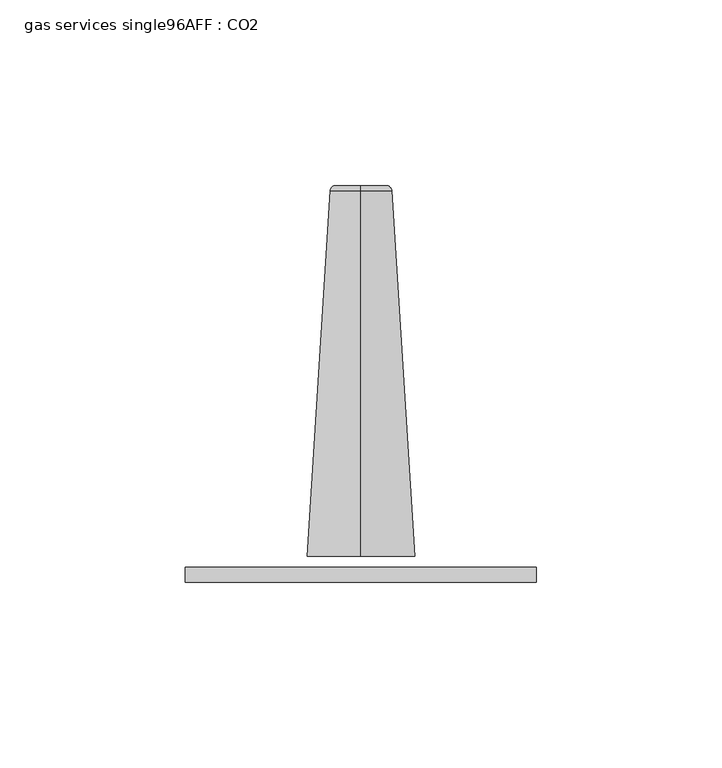
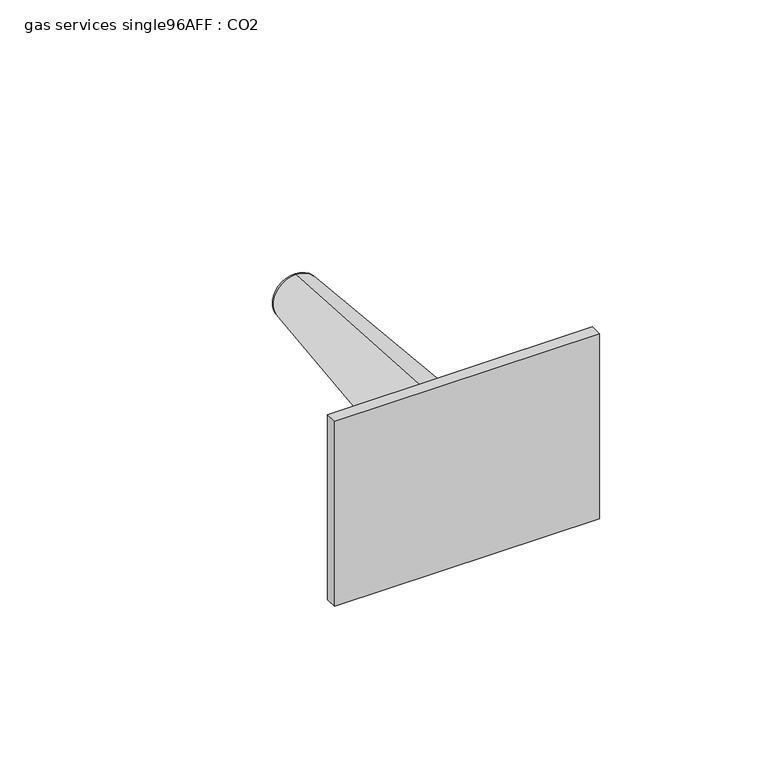
"""IFC4 building model written with IfcOpenShell, lengths in millimetres: flow terminal geometry, gas services single96AFF : CO2."""

from ifc_helpers import new_model, si_unit, point, frame, origin, place, context, project, spatial, polyline, circle_curve, ellipse_curve, trimmed, outline, extrude, source, transform, mapped, element, save
from ifc_brep_helpers import plane_surface, revolved_surface, advanced_brep


def gas_services_single96aff_co2_39015a41(model_context):
    return source(origin(), model_context, "Body", "SolidModel", [
        extrude(outline(polyline([(-47.8699712, -65.6942794), (-47.8699712, -61.5339373), (46.6884324, -61.5339373), (46.6884324, -65.6942794), (-47.8699712, -65.6942794)])), frame((0.0, 0.0, 2402.8175649), z_axis=(0.0, 0.0, 1.0), x_axis=(1.0, 0.0, 0.0)), (0.0, 0.0, 1.0), 69.85),
        advanced_brep(
        [(-0.5907694, 41.3057984, 2446.0610317), (-0.5907694, 41.3057984, 2432.4096591), (-0.5907694, 41.3057984, 2439.2353454), (-0.5907694, 39.8814125, 2447.5777753), (-0.5907694, 39.8814125, 2430.8929155), (-0.5907694, -58.6907564, 2453.7746328), (-0.5907694, -58.6907564, 2424.6960579), (-0.5907694, -58.6907564, 2439.2353454)],
        [
            (0, 1, circle_curve(frame((-0.5907694, 41.3057984, 2439.2353454), z_axis=(0.0, 1.0, 0.0), x_axis=(0.0, 0.0, -1.0)), 6.8256863)),
            (1, 2),
            (2, 0),
            (1, 0, circle_curve(frame((-0.5907694, 41.3057984, 2439.2353454), z_axis=(0.0, 1.0, 0.0), x_axis=(0.0, 0.0, -1.0)), 6.8256863)),
            (3, 4, circle_curve(frame((-0.5907694, 39.8814125, 2439.2353454), z_axis=(0.0, 1.0, 0.0), x_axis=(0.0, 0.0, -1.0)), 8.3424299)),
            (4, 1, circle_curve(frame((-0.5907694, 39.7860606, 2432.4096591), z_axis=(1.0, 0.0, 0.0), x_axis=(0.0, -1.0, 0.0)), 1.5197379)),
            (0, 3, circle_curve(frame((-0.5907694, 39.7860606, 2446.0610317), z_axis=(1.0, 0.0, 0.0), x_axis=(0.0, -1.0, 0.0)), 1.5197379)),
            (4, 3, circle_curve(frame((-0.5907694, 39.8814125, 2439.2353454), z_axis=(0.0, 1.0, 0.0), x_axis=(0.0, 0.0, -1.0)), 8.3424299)),
            (5, 6, circle_curve(frame((-0.5907694, -58.6907564, 2439.2353454), z_axis=(0.0, 1.0, 0.0), x_axis=(0.0, 0.0, -1.0)), 14.5392874)),
            (6, 4),
            (3, 5),
            (6, 5, circle_curve(frame((-0.5907694, -58.6907564, 2439.2353454), z_axis=(0.0, 1.0, 0.0), x_axis=(0.0, 0.0, -1.0)), 14.5392874)),
            (7, 6),
            (5, 7),
        ],
        [
            plane_surface(frame((-0.5907694, 41.3057984, 2439.2353454), z_axis=(0.0, 1.0, 0.0), x_axis=(0.0, 0.0, -1.0))),
            revolved_surface(trimmed(ellipse_curve(frame((-0.5907694, 39.7860606, 2432.4096591), z_axis=(-1.0, 0.0, 0.0), x_axis=(0.0, -1.0, 0.0)), 1.5197379, 1.5197379), [point((-0.5907694, 41.3057984, 2432.4096591))], [point((-0.5907694, 39.8814125, 2430.8929155))], True, "CARTESIAN"), (-0.5907694, -27.0773362, 2439.2353454), (0.0, -1.0, 0.0)),
            revolved_surface(polyline([(-0.5907694, 39.8814125, 2430.8929155), (-0.5907694, -58.6907564, 2424.6960579)]), (-0.5907694, -27.0773362, 2439.2353454), (0.0, -1.0, 0.0)),
            plane_surface(frame((-0.5907694, -58.6907564, 2439.2353454), z_axis=(0.0, -1.0, 0.0), x_axis=(0.0, 0.0, -1.0))),
        ],
        [
            (0, [[1, 2, 3]]),
            (0, [[4, -3, -2]]),
            (1, [[5, 6, -1, 7]]),
            (1, [[8, -7, -4, -6]]),
            (2, [[9, 10, -5, 11]]),
            (2, [[12, -11, -8, -10]]),
            (3, [[13, -9, 14]]),
            (3, [[-14, -12, -13]]),
        ],
    ),
    ])


if __name__ == "__main__":
    model = new_model("IFC4")
    model_context = context("Model", 3, world=origin())
    ifc_project = project(units=[si_unit("LENGTHUNIT", "METRE", prefix="MILLI")], contexts=[model_context])
    site = spatial("IfcSite", under=ifc_project)
    building = spatial("IfcBuilding", under=site)
    placement = place(None, origin())
    gas_services_single96aff_co2_shape = gas_services_single96aff_co2_39015a41(model_context)
    element("IfcFlowTerminal", 1, ObjectType="gas services single96AFF : CO2", at=placement, inside=building, context=model_context, shape_type="MappedRepresentation", body=[
        mapped(gas_services_single96aff_co2_shape, transform((0.0, 0.0, 0.0), x_axis=(1.0, 0.0, 0.0), y_axis=(0.0, 1.0, 0.0), z_axis=(0.0, 0.0, 1.0))),
    ])
    save(model, "model.ifc")
